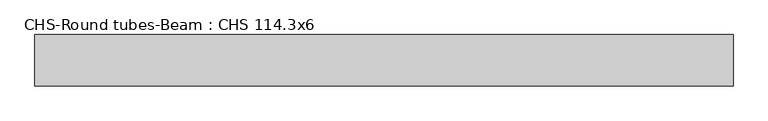
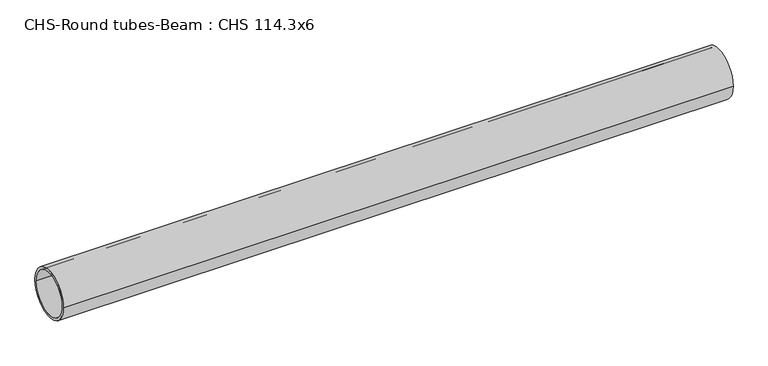
"""IFC4 building model written with IfcOpenShell, lengths in millimetres: beam geometry, CHS-Round tubes-Beam : CHS 114.3x6."""

from ifc_helpers import new_model, si_unit, point, frame, origin, origin_2d, place, context, project, spatial, circle_curve, trimmed, segment, composite_curve, outline, extrude, source, transform, mapped, element, save


def chs_round_tubes_beam_chs_114_3x6_28ce9e81(model_context):
    return source(origin(), model_context, "Body", "SweptSolid", [
        extrude(outline(composite_curve([segment(trimmed(circle_curve(origin_2d(), 57.15), [point((57.15, 0.0))], [point((-57.15, 0.0))], False, "CARTESIAN"), True, "CONTINUOUS"), segment(trimmed(circle_curve(origin_2d(), 57.15), [point((-57.15, 0.0))], [point((57.15, 0.0))], False, "CARTESIAN"), True, "CONTINUOUS")], self_intersect=False), holes=[composite_curve([segment(trimmed(circle_curve(origin_2d(), 51.15), [point((51.15, 0.0))], [point((-51.15, 0.0))], True, "CARTESIAN"), True, "CONTINUOUS"), segment(trimmed(circle_curve(origin_2d(), 51.15), [point((-51.15, 0.0))], [point((51.15, 0.0))], True, "CARTESIAN"), True, "CONTINUOUS")], self_intersect=False)]), frame((-789.9013385, 0.0, 0.0), z_axis=(1.0, 0.0, 0.0), x_axis=(0.0, 1.0, 0.0)), (0.0, 0.0, 1.0), 1555.095461),
    ])


if __name__ == "__main__":
    model = new_model("IFC4")
    model_context = context("Model", 3, world=origin())
    ifc_project = project(units=[si_unit("LENGTHUNIT", "METRE", prefix="MILLI")], contexts=[model_context])
    site = spatial("IfcSite", under=ifc_project)
    building = spatial("IfcBuilding", under=site)
    placement = place(None, origin())
    chs_round_tubes_beam_chs_114_3x6_shape = chs_round_tubes_beam_chs_114_3x6_28ce9e81(model_context)
    element("IfcBeam", 1, ObjectType="CHS-Round tubes-Beam : CHS 114.3x6", at=placement, inside=building, context=model_context, shape_type="MappedRepresentation", body=[
        mapped(chs_round_tubes_beam_chs_114_3x6_shape, transform((0.0, 0.0, 0.0), x_axis=(1.0, 0.0, 0.0), y_axis=(0.0, 1.0, 0.0), z_axis=(0.0, 0.0, 1.0))),
    ])
    save(model, "model.ifc")
